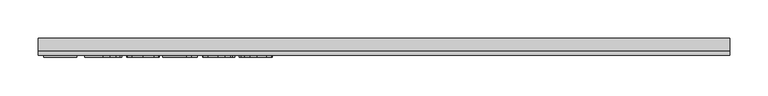
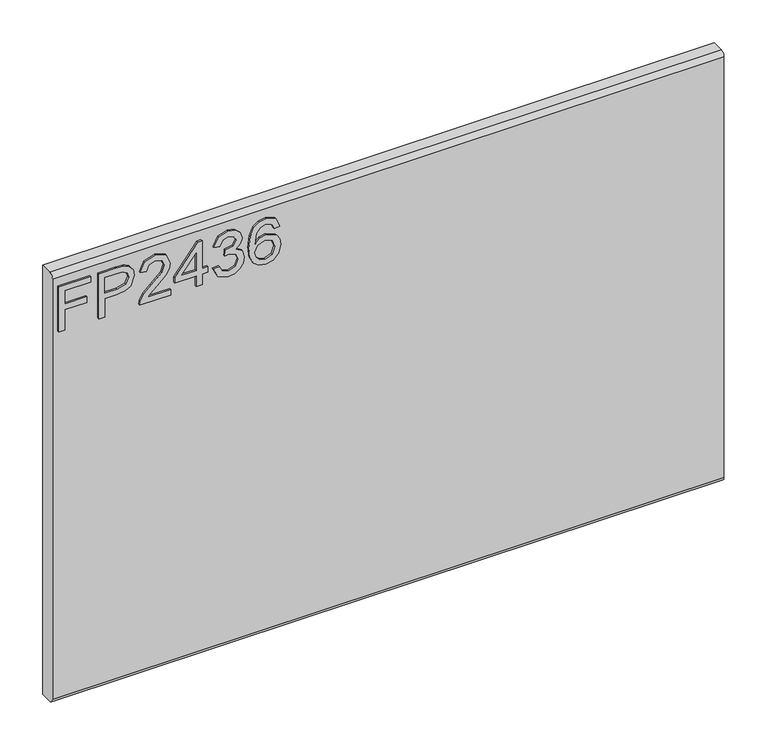
"""IFC4 building model written with IfcOpenShell, lengths in millimetres: furniture geometry."""

from ifc_helpers import new_model, si_unit, frame, origin, place, context, project, spatial, polyline, circle_curve, outline, extrude, source, transform, mapped, element, save
from ifc_brep_helpers import plane_surface, cylinder_surface, advanced_brep


def furniture_68cd8dbe(model_context):
    return source(origin(), model_context, "Body", "SolidModel", [
        extrude(outline(polyline([(679.45, -443.8729953), (679.45, -435.8992757), (708.3547336, -435.8992757), (708.3547336, -405.9978271), (716.3284532, -405.9978271), (716.3284532, -435.8992757), (735.2660373, -435.8992757), (735.2660373, -401.0142524), (743.2397569, -401.0142524), (743.2397569, -443.8729953), (679.45, -443.8729953)])), frame((0.0, -15.0812439, 0.0), z_axis=(0.0, 1.0, 0.0), x_axis=(0.0, 0.0, 1.0)), (0.0, 0.0, 1.0), 2.38125),
        extrude(outline(polyline([(679.45, -390.0503879), (679.45, -382.0766683), (705.3645888, -382.0766683), (705.3645888, -365.8644766), (706.774006, -354.5365776), (711.0022577, -347.3395948), (724.7849567, -342.2080702), (733.482852, -344.1080581), (739.6500257, -349.130567), (742.6323838, -356.8784684), (743.2397569, -366.4095551), (743.2397569, -390.0503879), (679.45, -390.0503879)]), holes=[polyline([(713.3383084, -382.0766683), (735.2660373, -382.0766683), (735.2660373, -365.5841506), (734.7209588, -357.6104309), (731.1078671, -352.2297276), (724.5046306, -350.1817898), (716.2661585, -353.6547185), (713.3383084, -365.3972665), (713.3383084, -382.0766683)])]), frame((0.0, -15.0812439, 0.0), z_axis=(0.0, 1.0, 0.0), x_axis=(0.0, 0.0, 1.0)), (0.0, 0.0, 1.0), 2.38125),
        extrude(outline(polyline([(687.4237196, -293.3690375), (687.4237196, -324.6876902), (691.4806609, -321.0901722), (699.150694, -311.9172799), (710.0756243, -300.4939921), (717.8936072, -295.7829566), (725.4546245, -294.3657525), (738.1315928, -299.6218665), (743.2397569, -313.8951361), (738.645524, -328.1216847), (725.2988878, -334.2343506), (724.3021729, -326.260631), (732.3537608, -322.9045048), (735.2660373, -314.0664465), (732.2836793, -305.5865825), (724.9718407, -302.3394721), (715.9391115, -305.7812534), (702.65477, -319.5483787), (693.4117962, -329.5311019), (684.9475059, -334.3745136), (679.45, -335.2310655), (679.45, -293.3690375), (687.4237196, -293.3690375)])), frame((0.0, -15.0812439, 0.0), z_axis=(0.0, 1.0, 0.0), x_axis=(0.0, 0.0, 1.0)), (0.0, 0.0, 1.0), 2.38125),
        extrude(outline(polyline([(679.45, -259.4807292), (679.45, -251.5070095), (694.4007243, -251.5070095), (694.4007243, -243.5332899), (702.3744439, -243.5332899), (702.3744439, -251.5070095), (742.243042, -251.5070095), (742.243042, -257.4872993), (702.3744439, -288.3854628), (694.4007243, -288.3854628), (694.4007243, -259.4807292), (679.45, -259.4807292)]), holes=[polyline([(702.3744439, -259.4807292), (702.3744439, -278.57405), (727.0119916, -259.4807292), (702.3744439, -259.4807292)])]), frame((0.0, -15.0812439, 0.0), z_axis=(0.0, 1.0, 0.0), x_axis=(0.0, 0.0, 1.0)), (0.0, 0.0, 1.0), 2.38125),
        extrude(outline(polyline([(696.3941542, -236.5562853), (683.4524335, -230.2178011), (678.453285, -216.2326444), (679.9172101, -207.7099529), (684.3089854, -200.7991364), (690.8032063, -196.220477), (698.5744681, -194.6942573), (708.9465331, -197.7466968), (714.397318, -206.4368053), (719.6767925, -199.8958634), (727.0275653, -197.6844021), (735.0713664, -200.012666), (741.0516562, -206.7404919), (743.2397569, -216.3572338), (738.8012607, -229.0342021), (726.2956028, -235.5595703), (725.2988878, -227.5858507), (732.7742499, -223.6768592), (735.2660373, -216.0769077), (732.7976105, -208.5703982), (726.5603552, -205.6581217), (719.5210558, -209.6761289), (717.3251682, -220.0014729), (709.3514486, -220.8891721), (710.2235742, -215.2982242), (706.96089, -206.2343476), (698.7146312, -202.6679769), (689.962228, -206.2654949), (686.4270047, -215.9523184), (688.9966604, -224.1830036), (697.3908691, -228.5825656), (696.3941542, -236.5562853)])), frame((0.0, -15.0812439, 0.0), z_axis=(0.0, 1.0, 0.0), x_axis=(0.0, 0.0, 1.0)), (0.0, 0.0, 1.0), 2.38125),
        extrude(outline(polyline([(726.2956028, -146.8519396), (738.738966, -152.7387872), (743.2397569, -165.3378872), (741.4215308, -174.5925413), (735.9668525, -181.7369629), (725.1081103, -186.9697164), (709.2268592, -188.7139676), (695.1015395, -187.1429735), (685.6171738, -182.4299913), (680.2442572, -175.2252216), (678.453285, -166.1788654), (681.155317, -155.7289321), (688.9421526, -148.487175), (699.9449512, -145.8552246), (708.1172351, -147.2529616), (714.6309231, -151.4461725), (720.315313, -164.9952664), (718.2362279, -173.7087354), (711.8743833, -180.7402479), (726.0853582, -178.4742788), (733.3349021, -173.0312807), (735.2660373, -165.8362447), (731.9488454, -157.8469514), (725.2988878, -154.8256592), (726.2956028, -146.8519396)]), holes=[polyline([(700.0695406, -180.7402479), (708.95432, -176.7767486), (712.3415934, -167.1288594), (708.95432, -157.3563807), (699.6801988, -153.8289442), (689.9933754, -157.4031017), (686.4270047, -166.8018123), (688.1478953, -173.9890615), (693.1626174, -178.8947679), (700.0695406, -180.7402479)])]), frame((0.0, -15.0812439, 0.0), z_axis=(0.0, 1.0, 0.0), x_axis=(0.0, 0.0, 1.0)), (0.0, 0.0, 1.0), 2.38125),
        advanced_brep(
        [(450.85, 9.5250061, 762.0), (450.85, -6.7309939, 762.0), (450.85, -12.6999939, 756.031), (450.85, -12.6999939, 158.369), (450.85, -6.7309939, 152.4), (450.85, 9.5250061, 152.4), (-450.85, 9.5250061, 762.0), (-450.85, 9.5250061, 152.4), (-450.85, -6.7309939, 152.4), (-450.85, -12.6999939, 158.369), (-450.85, -12.6999939, 756.0310121), (-450.85, -6.7309939, 762.0)],
        [
            (0, 1),
            (1, 2, circle_curve(frame((450.85, -6.7309939, 756.031), z_axis=(1.0, 0.0, 0.0), x_axis=(0.0, 1.0, 0.0)), 5.969)),
            (2, 3),
            (3, 4, circle_curve(frame((450.85, -6.7309939, 158.369), z_axis=(1.0, 0.0, 0.0), x_axis=(0.0, 1.0, 0.0)), 5.969)),
            (4, 5),
            (5, 0),
            (6, 7),
            (7, 8),
            (8, 9, circle_curve(frame((-450.85, -6.7309939, 158.369), z_axis=(-1.0, 0.0, 0.0), x_axis=(0.0, 1.0, 0.0)), 5.969)),
            (9, 10),
            (10, 11, circle_curve(frame((-450.85, -6.7309939, 756.031), z_axis=(-1.0, 0.0, 0.0), x_axis=(0.0, 1.0, 0.0)), 5.969)),
            (11, 6),
            (0, 6),
            (11, 1),
            (10, 2),
            (9, 3),
            (8, 4),
            (7, 5),
        ],
        [
            plane_surface(frame((450.85, -6.7309939, 762.0), z_axis=(1.0, 0.0, 0.0), x_axis=(0.0, -1.0, 0.0))),
            plane_surface(frame((-450.85, -6.7309939, 762.0), z_axis=(-1.0, 0.0, 0.0), x_axis=(0.0, 1.0, 0.0))),
            plane_surface(frame((450.85, 9.5250061, 762.0), z_axis=(0.0, 0.0, 1.0), x_axis=(-1.0, 0.0, 0.0))),
            cylinder_surface(frame((-450.85, -6.7309939, 756.031), z_axis=(1.0, 0.0, 0.0), x_axis=(0.0, 1.0, 0.0)), 5.969),
            plane_surface(frame((450.85, -12.6999939, 756.0310121), z_axis=(0.0, -1.0, 0.0), x_axis=(-1.0, 0.0, 0.0))),
            cylinder_surface(frame((-450.85, -6.7309939, 158.369), z_axis=(1.0, 0.0, 0.0), x_axis=(0.0, 1.0, 0.0)), 5.969),
            plane_surface(frame((450.85, -6.7309939, 152.4), z_axis=(0.0, 0.0, -1.0), x_axis=(-1.0, 0.0, 0.0))),
            plane_surface(frame((450.85, 9.5250061, 152.4), z_axis=(0.0, 1.0, 0.0), x_axis=(-1.0, 0.0, 0.0))),
        ],
        [
            (0, [[1, 2, 3, 4, 5, 6]]),
            (1, [[7, 8, 9, 10, 11, 12]]),
            (2, [[-1, 13, -12, 14]]),
            (3, [[-2, -14, -11, 15]]),
            (4, [[-3, -15, -10, 16]]),
            (5, [[-4, -16, -9, 17]]),
            (6, [[-5, -17, -8, 18]]),
            (7, [[-6, -18, -7, -13]]),
        ],
    ),
    ])


if __name__ == "__main__":
    model = new_model("IFC4")
    model_context = context("Model", 3, world=origin())
    ifc_project = project(units=[si_unit("LENGTHUNIT", "METRE", prefix="MILLI")], contexts=[model_context])
    site = spatial("IfcSite", under=ifc_project)
    building = spatial("IfcBuilding", under=site)
    placement = place(None, origin())
    furniture_shape = furniture_68cd8dbe(model_context)
    element("IfcFurniture", 1, at=placement, inside=building, context=model_context, shape_type="MappedRepresentation", body=[
        mapped(furniture_shape, transform((0.0, 0.0, 0.0), x_axis=(1.0, 0.0, 0.0), y_axis=(0.0, 1.0, 0.0), z_axis=(0.0, 0.0, 1.0))),
    ])
    save(model, "model.ifc")
